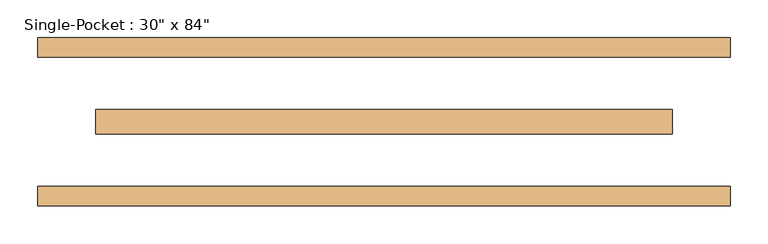
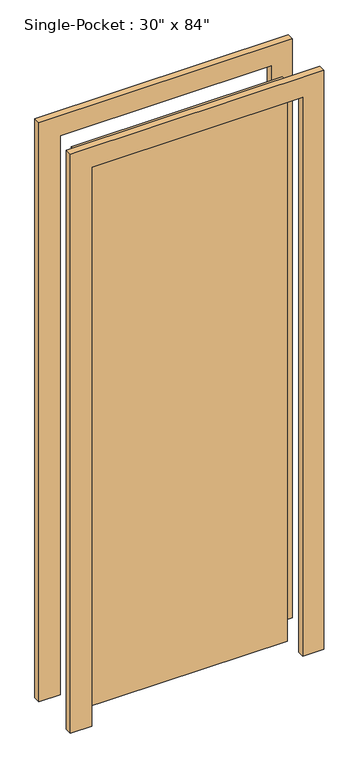
"""IFC4 building model written with IfcOpenShell, lengths in millimetres: door geometry."""

from ifc_helpers import new_model, si_unit, frame, origin, origin_with_axes, place, context, project, spatial, polyline, outline, extrude, source, transform, mapped, element, save


def door_25e658b2(model_context):
    return source(origin(), model_context, "Body", "SweptSolid", [
        extrude(outline(polyline([(-381.0, 15.875), (381.0, 15.875), (381.0, -15.875), (-381.0, -15.875), (-381.0, 15.875)])), origin_with_axes(), (0.0, 0.0, 1.0), 2133.6),
        extrude(outline(polyline([(2133.6, -381.0), (2133.6, 381.0), (0.0, 381.0), (0.0, 457.2), (2209.8, 457.2), (2209.8, -457.2), (0.0, -457.2), (0.0, -381.0), (2133.6, -381.0)])), frame((0.0, -111.125, 0.0), z_axis=(0.0, 1.0, 0.0), x_axis=(0.0, 0.0, 1.0)), (0.0, 0.0, 1.0), 25.4),
        extrude(outline(polyline([(2133.6, -381.0), (2133.6, 381.0), (0.0, 381.0), (0.0, 457.2), (2209.8, 457.2), (2209.8, -457.2), (0.0, -457.2), (0.0, -381.0), (2133.6, -381.0)])), frame((0.0, 85.725, 0.0), z_axis=(0.0, 1.0, 0.0), x_axis=(0.0, 0.0, 1.0)), (0.0, 0.0, 1.0), 25.4),
    ])


if __name__ == "__main__":
    model = new_model("IFC4")
    model_context = context("Model", 3, world=origin())
    ifc_project = project(units=[si_unit("LENGTHUNIT", "METRE", prefix="MILLI")], contexts=[model_context])
    site = spatial("IfcSite", under=ifc_project)
    building = spatial("IfcBuilding", under=site)
    placement = place(None, origin())
    door_shape = door_25e658b2(model_context)
    element("IfcDoor", 1, ObjectType="Single-Pocket : 30\" x 84\"", at=placement, inside=building, context=model_context, shape_type="MappedRepresentation", body=[
        mapped(door_shape, transform((0.0, 0.0, 0.0), x_axis=(1.0, 0.0, 0.0), y_axis=(0.0, 1.0, 0.0), z_axis=(0.0, 0.0, 1.0))),
    ])
    save(model, "model.ifc")
